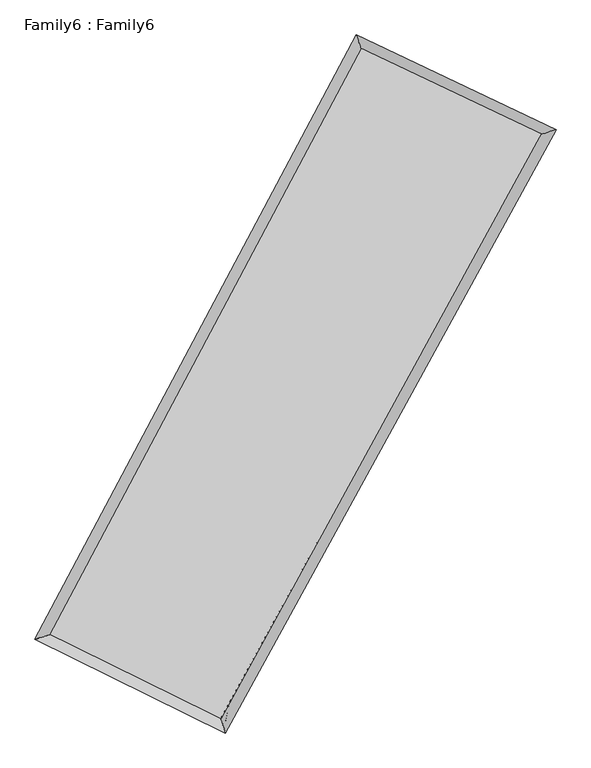
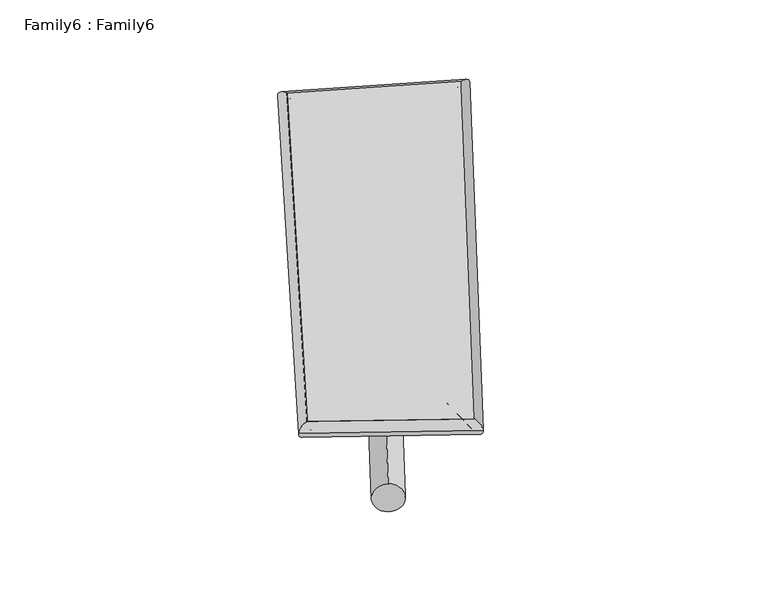
"""IFC4 building model written with IfcOpenShell, lengths in millimetres: plate geometry, Family6 : Family6."""

from ifc_helpers import new_model, si_unit, point, frame, origin, origin_2d, place, context, project, spatial, circle_curve, ellipse_curve, trimmed, segment, composite_curve, outline, extrude, source, transform, mapped, element, save
from ifc_brep_helpers import plane_surface, cylinder_surface, spline_surface, advanced_brep


def family6_family6_5691b0e3(model_context):
    return source(origin(), model_context, "Body", "SolidModel", [
        extrude(outline(composite_curve([segment(trimmed(circle_curve(origin_2d(), 76.2), [point((-75.4341514, -10.7763073))], [point((75.4341514, 10.7763073))], False, "CARTESIAN"), True, "CONTINUOUS"), segment(trimmed(circle_curve(origin_2d(), 76.2), [point((75.4341514, 10.7763073))], [point((-75.4341514, -10.7763073))], False, "CARTESIAN"), True, "CONTINUOUS")], self_intersect=False)), frame((9144.0, 9144.0, 0.0), z_axis=(0.6791912867034656, 0.6811918667921691, 0.2732706290150676), x_axis=(-0.6736117542991947, 0.7263779220228889, -0.13646361737720206)), (0.0, 0.0, 1.0), 5718.7331593),
        extrude(outline(composite_curve([segment(trimmed(circle_curve(origin_2d(), 76.2), [point((-53.8815367, 53.8815367))], [point((53.8815367, -53.8815367))], False, "CARTESIAN"), True, "CONTINUOUS"), segment(trimmed(circle_curve(origin_2d(), 76.2), [point((53.8815367, -53.8815367))], [point((-53.8815367, 53.8815367))], False, "CARTESIAN"), True, "CONTINUOUS")], self_intersect=False)), frame((9144.0, 9144.0, 0.0), z_axis=(-0.6714561480294291, -0.6879171620947244, 0.2755297068720943), x_axis=(0.6434647402124368, -0.3568206799549129, 0.6772238407349929)), (0.0, 0.0, 1.0), 5676.5636337),
        extrude(outline(composite_curve([segment(trimmed(circle_curve(origin_2d(), 76.2), [point((-53.8815367, -53.8815368))], [point((53.8815367, 53.8815368))], False, "CARTESIAN"), True, "CONTINUOUS"), segment(trimmed(circle_curve(origin_2d(), 76.2), [point((53.8815367, 53.8815368))], [point((-53.8815367, -53.8815368))], False, "CARTESIAN"), True, "CONTINUOUS")], self_intersect=False)), frame((9144.0, 9144.0, 0.0), z_axis=(0.18988025804044661, 0.944683349409001, 0.26743009732617046), x_axis=(-0.8522400752419984, 0.2938315972960103, -0.4328392849337826)), (0.0, 0.0, 1.0), 5545.7507266),
        extrude(outline(composite_curve([segment(trimmed(circle_curve(origin_2d(), 76.2), [point((-75.4341514, 10.7763074))], [point((75.4341514, -10.7763074))], False, "CARTESIAN"), True, "CONTINUOUS"), segment(trimmed(circle_curve(origin_2d(), 76.2), [point((75.4341514, -10.7763074))], [point((-75.4341514, 10.7763074))], False, "CARTESIAN"), True, "CONTINUOUS")], self_intersect=False)), frame((9144.0, 9144.0, 0.0), z_axis=(-0.20154374299537708, -0.9424081987597328, 0.26692116171231023), x_axis=(0.898766989341015, -0.06960880618715656, 0.4328654675208995)), (0.0, 0.0, 1.0), 5551.1092444),
        advanced_brep(
        [(5124.2584007, 5171.9361345, 1559.5757147), (5124.1469046, 5171.7320158, 1570.9352374), (5540.6144963, 5306.0527748, 1568.5481134), (10263.1235023, 14182.9627477, 1489.951541), (10130.9336557, 14582.993995, 1476.2497721), (5540.7259924, 5306.2568936, 1557.1885907), (12816.8311821, 12971.1617495, 1561.8078371), (13239.3962835, 13107.9472834, 1563.7157781), (7961.6778725, 4113.7447938, 1483.1483199), (8088.7394577, 3711.4334779, 1480.2687367)],
        [
            (0, 1, ellipse_curve(frame((5332.4364485, 5238.9944547, 1564.061914), z_axis=(-0.3068502696076426, 0.9516535233305974, 0.01408841986090672), x_axis=(-0.951355279335309, -0.3071173533023313, 0.024536988026388856)), 218.9940882, 152.4)),
            (1, 2, ellipse_curve(frame((5332.4364485, 5238.9944547, 1564.061914), z_axis=(-0.3068502696076426, 0.9516535233305974, 0.01408841986090672), x_axis=(-0.951355279335309, -0.3071173533023313, 0.024536988026388856)), 218.9940882, 152.4)),
            (2, 3),
            (3, 4, ellipse_curve(frame((10197.028579, 14382.9783714, 1483.1006566), z_axis=(-0.9493072212541276, -0.3141142117428172, -0.012168058840886974), x_axis=(0.31376871005514617, -0.9491947675124199, 0.024051817340330135)), 210.7714948, 152.4)),
            (4, 0),
            (2, 5, ellipse_curve(frame((5332.4364485, 5238.9944547, 1564.061914), z_axis=(-0.3068502696076426, 0.9516535233305974, 0.01408841986090672), x_axis=(-0.951355279335309, -0.3071173533023313, 0.024536988026388856)), 218.9940882, 152.4)),
            (5, 0, ellipse_curve(frame((5332.4364485, 5238.9944547, 1564.061914), z_axis=(-0.3068502696076426, 0.9516535233305974, 0.01408841986090672), x_axis=(-0.951355279335309, -0.3071173533023313, 0.024536988026388856)), 218.9940882, 152.4)),
            (4, 3, ellipse_curve(frame((10197.028579, 14382.9783714, 1483.1006566), z_axis=(-0.9493072212541276, -0.3141142117428172, -0.012168058840886974), x_axis=(0.31376871005514617, -0.9491947675124199, 0.024051817340330135)), 210.7714948, 152.4)),
            (3, 6),
            (6, 7, ellipse_curve(frame((13028.1137328, 13039.5545165, 1562.7618076), z_axis=(-0.3078917665191137, 0.9513346813108884, -0.012844619295637067), x_axis=(-0.9510751572583969, -0.308115856059668, -0.022818073769136523)), 222.1211941, 152.4)),
            (7, 4),
            (7, 6, ellipse_curve(frame((13028.1137328, 13039.5545165, 1562.7618076), z_axis=(-0.3078917665191137, 0.9513346813108884, -0.012844619295637067), x_axis=(-0.9510751572583969, -0.308115856059668, -0.022818073769136523)), 222.1211941, 152.4)),
            (6, 8),
            (8, 9, ellipse_curve(frame((8025.2086651, 3912.5891359, 1481.7085283), z_axis=(0.9534557838363983, 0.3012262956916621, -0.013593640159966888), x_axis=(-0.30082644543980197, 0.9533390370541633, 0.02545840043471647)), 210.9881556, 152.4)),
            (9, 7),
            (9, 8, ellipse_curve(frame((8025.2086651, 3912.5891359, 1481.7085283), z_axis=(0.9534557838363983, 0.3012262956916621, -0.013593640159966888), x_axis=(-0.30082644543980197, 0.9533390370541633, 0.02545840043471647)), 210.9881556, 152.4)),
            (8, 5),
            (1, 9),
        ],
        [
            cylinder_surface(frame((5332.4364485, 5238.9944547, 1564.061914), z_axis=(-0.46965663890227355, -0.8828145581941007, 0.007816481022438159), x_axis=(-0.882358603860747, 0.4690821670626461, -0.03748619394823741)), 152.4),
            cylinder_surface(frame((10197.028579, 14382.9783714, 1483.1006566), z_axis=(-0.9031515830847855, 0.4285690169520973, -0.025412903812021284), x_axis=(0.4290906274901176, 0.903024764699564, -0.020676260286475647)), 152.4),
            cylinder_surface(frame((13028.1137328, 13039.5545165, 1562.7618076), z_axis=(0.48065515810293546, 0.8768751212890792, 0.007787210880987167), x_axis=(0.8769074306593815, -0.4806551581029354, -0.0019942525929008068)), 152.4),
            cylinder_surface(frame((8025.2086651, 3912.5891359, 1481.7085283), z_axis=(0.8967364881105727, -0.44171431956203394, -0.027425002916431598), x_axis=(-0.4414046045315348, -0.8971508757422499, 0.016801227731138922)), 152.4),
        ],
        [
            (0, [[1, 2, 3, 4, 5]]),
            (0, [[6, 7, -5, 8, -3]]),
            (1, [[-4, 9, 10, 11]]),
            (1, [[-8, -11, 12, -9]]),
            (2, [[-10, 13, 14, 15]]),
            (2, [[-12, -15, 16, -13]]),
            (3, [[-14, 17, -6, -2, 18]]),
            (3, [[-16, -18, -1, -7, -17]]),
        ],
    ),
        extrude(outline(composite_curve([segment(trimmed(circle_curve(origin_2d(), 304.8), [point((0.0, 304.7999999))], [point((0.0, -304.8))], False, "CARTESIAN"), True, "CONTINUOUS"), segment(trimmed(circle_curve(origin_2d(), 304.8), [point((0.0, -304.8))], [point((0.0, 304.7999999))], False, "CARTESIAN"), True, "CONTINUOUS")], self_intersect=False)), frame((11655.1575626, 13710.8438703, -0.0890624), z_axis=(-0.481829392028589, -0.8762650493345782, 1.7088876301322768e-05), x_axis=(-0.8762650494902223, 0.481829392028589, -4.388464669018e-06)), (0.0, 0.0, 1.0), 10423.430385),
        advanced_brep(
        [(5332.4364485, 5238.9944547, 1564.061914), (8025.2086651, 3912.5891359, 1481.7085283), (8025.1910893, 3912.5949377, 1634.1085272), (5332.4188727, 5239.0002565, 1716.4619129), (13028.1137328, 13039.5545165, 1562.7618076), (13028.096157, 13039.5603183, 1715.1618065), (10197.028579, 14382.9783714, 1483.1006566), (10197.0110032, 14382.9841732, 1635.5006554)],
        [
            (0, 1),
            (1, 2),
            (2, 3),
            (3, 0),
            (1, 4),
            (4, 5),
            (5, 2),
            (4, 6),
            (6, 7),
            (7, 5),
            (6, 0),
            (3, 7),
        ],
        [
            plane_surface(frame((6678.8225568, 4575.7917953, 1522.8852212), z_axis=(-0.44188094043298914, -0.8970737061131073, -1.6809264682291283e-05), x_axis=(0.8967364881105728, -0.4417143195620336, -0.02742500291643159))),
            plane_surface(frame((10526.6611989, 8476.0718262, 1522.235168), z_axis=(0.8769012563373708, -0.4806705445214651, 0.00011942939008246578), x_axis=(0.4806551581029353, 0.8768751212890793, 0.007787210880987174))),
            plane_surface(frame((11612.5711559, 13711.2664439, 1522.9312321), z_axis=(0.42870712667691735, 0.9034435230328433, 1.5047471188097891e-05), x_axis=(-0.9031515830847853, 0.4285690169520976, -0.02541290381202128))),
            plane_surface(frame((7764.7325137, 9810.986413, 1523.5812853), z_axis=(-0.8828419613689354, 0.46967015757783026, -0.00011969572968646789), x_axis=(-0.469656638902274, -0.8828145581941007, 0.007816481022438159))),
            spline_surface(1, 1, [[(8025.1910893, 3912.5949377, 1634.1085272), (5332.4188727, 5239.0002565, 1716.4619129)], [(13028.096157, 13039.5603183, 1715.1618065), (10197.0110032, 14382.9841732, 1635.5006554)]], [2, 2], [2, 2], [0.0, 1.0], [0.0, 1.0]),
            spline_surface(1, 1, [[(10197.028579, 14382.9783714, 1483.1006566), (5332.4364485, 5238.9944547, 1564.061914)], [(13028.1137328, 13039.5545165, 1562.7618076), (8025.2086651, 3912.5891359, 1481.7085283)]], [2, 2], [2, 2], [0.0, 1.0], [0.0, 1.0]),
        ],
        [
            (0, [[1, 2, 3, 4]]),
            (1, [[5, 6, 7, -2]]),
            (2, [[8, 9, 10, -6]]),
            (3, [[11, -4, 12, -9]]),
            (4, [[-3, -7, -10, -12]]),
            (5, [[-11, -8, -5, -1]]),
        ],
    ),
    ])


if __name__ == "__main__":
    model = new_model("IFC4")
    model_context = context("Model", 3, world=origin())
    ifc_project = project(units=[si_unit("LENGTHUNIT", "METRE", prefix="MILLI")], contexts=[model_context])
    site = spatial("IfcSite", under=ifc_project)
    building = spatial("IfcBuilding", under=site)
    placement = place(None, origin())
    family6_family6_shape = family6_family6_5691b0e3(model_context)
    element("IfcPlate", 1, ObjectType="Family6 : Family6", at=placement, inside=building, context=model_context, shape_type="MappedRepresentation", body=[
        mapped(family6_family6_shape, transform((0.0, 0.0, 0.0), x_axis=(1.0, 0.0, 0.0), y_axis=(0.0, 1.0, 0.0), z_axis=(0.0, 0.0, 1.0))),
    ])
    save(model, "model.ifc")
